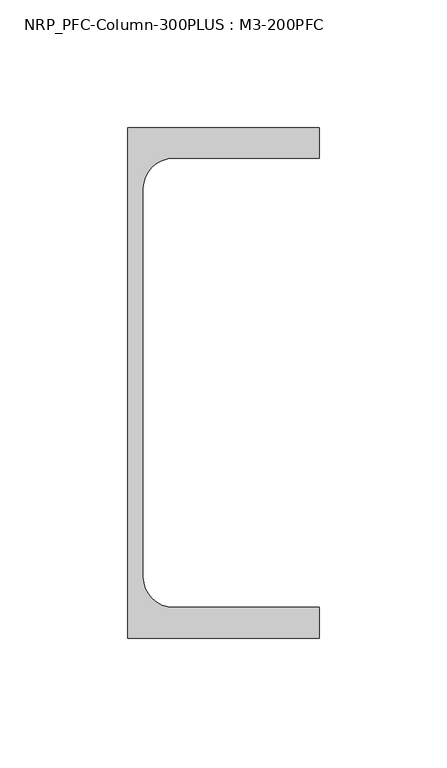
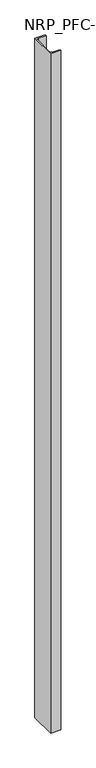
"""IFC4 building model written with IfcOpenShell, lengths in millimetres: column geometry, NRP_PFC-Column-300PLUS : M3-200PFC."""

from ifc_helpers import new_model, si_unit, point, frame, frame_2d, origin, place, context, project, spatial, polyline, circle_curve, trimmed, segment, composite_curve, outline, extrude, source, transform, mapped, element, save


def nrp_pfc_column_300plus_m3_200pfc_4297c01e(model_context):
    return source(origin(), model_context, "Body", "SweptSolid", [
        extrude(outline(composite_curve([segment(polyline([(73.1, -100.0), (-1.9, -100.0), (-1.9, 100.0), (73.1, 100.0), (73.1, 88.0), (16.1, 88.0)]), True, "CONTINUOUS"), segment(trimmed(circle_curve(frame_2d((16.1, 76.0)), 12.0), [point((16.1, 88.0))], [point((4.1, 76.0))], True, "CARTESIAN"), True, "CONTINUOUS"), segment(polyline([(4.1, 76.0), (4.1, -76.0)]), True, "CONTINUOUS"), segment(trimmed(circle_curve(frame_2d((16.1, -76.0)), 12.0), [point((4.1, -76.0))], [point((16.1, -88.0))], True, "CARTESIAN"), True, "CONTINUOUS"), segment(polyline([(16.1, -88.0), (73.1, -88.0), (73.1, -100.0)]), True, "CONTINUOUS")], self_intersect=False)), frame((0.0, 0.0, 46800.0), z_axis=(0.0, 0.0, 1.0), x_axis=(1.0, 0.0, 0.0)), (0.0, 0.0, 1.0), 5300.0),
    ])


if __name__ == "__main__":
    model = new_model("IFC4")
    model_context = context("Model", 3, world=origin())
    ifc_project = project(units=[si_unit("LENGTHUNIT", "METRE", prefix="MILLI")], contexts=[model_context])
    site = spatial("IfcSite", under=ifc_project)
    building = spatial("IfcBuilding", under=site)
    placement = place(None, origin())
    nrp_pfc_column_300plus_m3_200pfc_shape = nrp_pfc_column_300plus_m3_200pfc_4297c01e(model_context)
    element("IfcColumn", 1, ObjectType="NRP_PFC-Column-300PLUS : M3-200PFC", at=placement, inside=building, context=model_context, shape_type="MappedRepresentation", body=[
        mapped(nrp_pfc_column_300plus_m3_200pfc_shape, transform((0.0, 0.0, 0.0), x_axis=(1.0, 0.0, 0.0), y_axis=(0.0, 1.0, 0.0), z_axis=(0.0, 0.0, 1.0))),
    ])
    save(model, "model.ifc")
